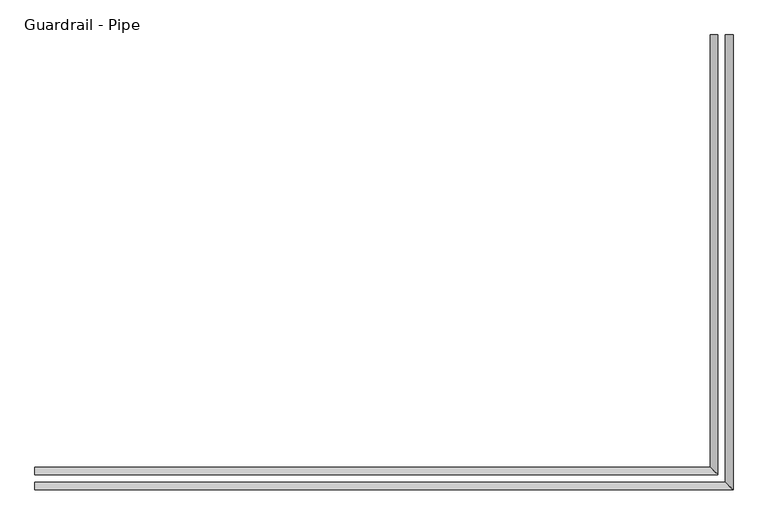
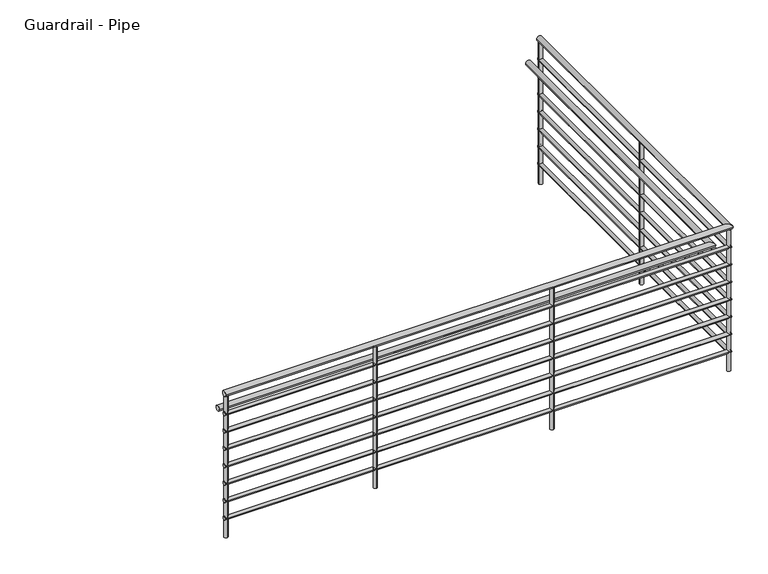
"""IFC4 building model written with IfcOpenShell, lengths in millimetres: railing geometry, Guardrail - Pipe."""

import ifcopenshell
import ifcopenshell.guid

model = None  # the IFC model being written
_history = None  # IfcOwnerHistory: only IFC2X3 demands one
_inside = {}  # id of a spatial element -> (the spatial element, [elements in it])
_under = {}  # id of a project, library or spatial element -> (it, [spatial elements below it])
_declared = {}  # id of a project -> (the project, [libraries it declares])
_typed = {}  # id of a type object -> (the type object, [elements of that type])
_made_of = {}  # id of a material, layer set ... -> (it, [elements and type objects made of it])


def new_model(schema):
    """Start an empty IFC model of exactly this schema.

    Asked for "IFC4X3", IfcOpenShell would pick the latest addendum, in which some entities
    have other attributes; the version numbers below select the first issue.
    IFC2X3 requires an IfcOwnerHistory on every rooted entity: one is made here for all.
    """
    global model, _history
    if schema == "IFC4X3":
        model = ifcopenshell.file(schema_version=(4, 3, 0, 0))
    else:
        model = ifcopenshell.file(schema=schema)
    _inside.clear()
    _under.clear()
    _declared.clear()
    _typed.clear()
    _made_of.clear()
    _history = None
    if model.schema == "IFC2X3":
        org = make("IfcOrganization", Name="unknown")
        user = make(
            "IfcPersonAndOrganization",
            ThePerson=make("IfcPerson", FamilyName="unknown"),
            TheOrganization=org,
        )
        app = make(
            "IfcApplication",
            ApplicationDeveloper=org,
            Version="unknown",
            ApplicationFullName="unknown",
            ApplicationIdentifier="unknown",
        )
        _history = make(
            "IfcOwnerHistory",
            OwningUser=user,
            OwningApplication=app,
            ChangeAction="ADDED",
            CreationDate=0,
        )
    return model


def make(cls, **values):
    """One entity of the class cls with the attributes given. An attribute that is None is left unset."""
    return model.create_entity(
        cls, **{name: value for name, value in values.items() if value is not None}
    )


def rooted(cls, **values):
    """An entity with a GlobalId (a new one), such as an element, a storey or a relation."""
    return make(cls, GlobalId=ifcopenshell.guid.new(), OwnerHistory=_history, **values)


def si_unit(unit_type, name, prefix=None):
    """IfcSIUnit, for example si_unit("LENGTHUNIT", "METRE", prefix="MILLI")."""
    return make("IfcSIUnit", UnitType=unit_type, Prefix=prefix, Name=name)


def assignment(units):
    """IfcUnitAssignment: the units of a project."""
    return None if units is None else make("IfcUnitAssignment", Units=units)


def point(xyz):
    """IfcCartesianPoint."""
    return None if xyz is None else make("IfcCartesianPoint", Coordinates=xyz)


def direction(xyz):
    """IfcDirection."""
    return None if xyz is None else make("IfcDirection", DirectionRatios=xyz)


def frame(location, z_axis=None, x_axis=None):
    """IfcAxis2Placement3D, a coordinate frame: its origin and axes. An axis left out is left unset."""
    return make(
        "IfcAxis2Placement3D",
        Location=point(location),
        Axis=direction(z_axis),
        RefDirection=direction(x_axis),
    )


def frame_2d(location, x_axis=None):
    """IfcAxis2Placement2D, a coordinate frame in the plane: its origin and x axis."""
    return make(
        "IfcAxis2Placement2D", Location=point(location), RefDirection=direction(x_axis)
    )


def origin():
    """The frame at (0, 0, 0) with its axes left unset."""
    return frame((0.0, 0.0, 0.0))


def origin_with_axes():
    """The frame at (0, 0, 0) with the z axis (0, 0, 1) and the x axis (1, 0, 0) written out."""
    return frame((0.0, 0.0, 0.0), z_axis=(0.0, 0.0, 1.0), x_axis=(1.0, 0.0, 0.0))


def place(relative_to, where):
    """IfcLocalPlacement: puts the frame where relative to a parent placement (None: the world)."""
    return make(
        "IfcLocalPlacement", PlacementRelTo=relative_to, RelativePlacement=where
    )


def context(
    kind, dimensions, precision=None, world=None, true_north=None, identifier=None
):
    """IfcGeometricRepresentationContext, for example the 3D "Model" context."""
    return make(
        "IfcGeometricRepresentationContext",
        ContextIdentifier=identifier,
        ContextType=kind,
        CoordinateSpaceDimension=dimensions,
        Precision=precision,
        WorldCoordinateSystem=world,
        TrueNorth=true_north,
    )


def project(units=None, contexts=None):
    """IfcProject with its units and contexts."""
    return rooted(
        "IfcProject",
        Name="project",
        RepresentationContexts=contexts,
        UnitsInContext=assignment(units),
    )


def spatial(cls, under=None, at=None, **own):
    """A site, building, storey or space (cls), placed at a placement, below another one or the project."""
    s = rooted(cls, ObjectPlacement=at, **own)
    if under is not None:
        _under.setdefault(under.id(), (under, []))[1].append(s)
    return s


def circle_curve(where, radius):
    """IfcCircle in the frame where."""
    return make("IfcCircle", Position=where, Radius=radius)


def ellipse_curve(where, semi_axis1, semi_axis2):
    """IfcEllipse in the frame where."""
    return make(
        "IfcEllipse", Position=where, SemiAxis1=semi_axis1, SemiAxis2=semi_axis2
    )


def trimmed(basis, trim1, trim2, sense, master):
    """IfcTrimmedCurve: the piece of a basis curve between two trims."""
    return make(
        "IfcTrimmedCurve",
        BasisCurve=basis,
        Trim1=trim1,
        Trim2=trim2,
        SenseAgreement=sense,
        MasterRepresentation=master,
    )


def segment(curve, same_sense, transition):
    """IfcCompositeCurveSegment."""
    return make(
        "IfcCompositeCurveSegment",
        Transition=transition,
        SameSense=same_sense,
        ParentCurve=curve,
    )


def composite_curve(segments, self_intersect=None):
    """IfcCompositeCurve: segments joined end to end."""
    return make("IfcCompositeCurve", Segments=segments, SelfIntersect=self_intersect)


def outline(outer, holes=None, kind="AREA"):
    """IfcArbitraryClosedProfileDef: a profile drawn as a closed curve; with holes, ...WithVoids."""
    if holes is None:
        return make("IfcArbitraryClosedProfileDef", ProfileType=kind, OuterCurve=outer)
    return make(
        "IfcArbitraryProfileDefWithVoids",
        ProfileType=kind,
        OuterCurve=outer,
        InnerCurves=holes,
    )


def extrude(swept, where, along, depth):
    """IfcExtrudedAreaSolid: the profile swept, set in the frame where, extruded along a direction by depth."""
    return make(
        "IfcExtrudedAreaSolid",
        SweptArea=swept,
        Position=where,
        ExtrudedDirection=direction(along),
        Depth=depth,
    )


def shape(context_of_items, identifier, shape_type, items):
    """IfcShapeRepresentation: the items that make up one representation, for example the "Body"."""
    return make(
        "IfcShapeRepresentation",
        ContextOfItems=context_of_items,
        RepresentationIdentifier=identifier,
        RepresentationType=shape_type,
        Items=items,
    )


def source(mapping_origin, context_of_items, identifier, shape_type, items):
    """IfcRepresentationMap: a shape defined once, which mapped items show again and again."""
    return make(
        "IfcRepresentationMap",
        MappingOrigin=mapping_origin,
        MappedRepresentation=shape(context_of_items, identifier, shape_type, items),
    )


def transform(
    local_origin,
    x_axis=None,
    y_axis=None,
    z_axis=None,
    scale=None,
    scale2=None,
    scale3=None,
    uniform=True,
):
    """IfcCartesianTransformationOperator3D, or its non-uniform kind. x_axis, y_axis, z_axis: its Axis1, 2, 3."""
    if uniform:
        return make(
            "IfcCartesianTransformationOperator3D",
            Axis1=direction(x_axis),
            Axis2=direction(y_axis),
            LocalOrigin=point(local_origin),
            Scale=scale,
            Axis3=direction(z_axis),
        )
    return make(
        "IfcCartesianTransformationOperator3DnonUniform",
        Axis1=direction(x_axis),
        Axis2=direction(y_axis),
        LocalOrigin=point(local_origin),
        Scale=scale,
        Axis3=direction(z_axis),
        Scale2=scale2,
        Scale3=scale3,
    )


def mapped(mapping_source, mapping_target):
    """IfcMappedItem: shows the shape of a source again, moved by a transform."""
    return make(
        "IfcMappedItem", MappingSource=mapping_source, MappingTarget=mapping_target
    )


def made_of(thing, what):
    """Note that an element or type object is made of a material, layer set ...; save() writes the relation."""
    if what is not None:
        _made_of.setdefault(what.id(), (what, []))[1].append(thing)
    return thing


def element(
    cls,
    number,
    at=None,
    inside=None,
    cuts=None,
    type_object=None,
    material=None,
    context=None,
    identifier="Body",
    shape_type=None,
    held_by="IfcProductDefinitionShape",
    body=None,
    shapes=None,
    **own,
):
    """One element of the class cls, such as IfcWall. Its Tag is "e" and its number.

    at: its placement. inside: the storey or other place that contains it. cuts: it is an
    opening in that element (IfcRelVoidsElement). A single representation is given by context,
    identifier, shape_type and body (its items); several are given by shapes. held_by: the class
    of the entity that holds the representations. save() writes the other relations.
    """
    e = rooted(cls, Tag="e%d" % number, ObjectPlacement=at, **own)
    if body is not None:
        shapes = [shape(context, identifier, shape_type, body)]
    if shapes is not None:
        e.Representation = make(held_by, Representations=shapes)
    if inside is not None:
        _inside.setdefault(inside.id(), (inside, []))[1].append(e)
    if cuts is not None:
        rooted(
            "IfcRelVoidsElement", RelatingBuildingElement=cuts, RelatedOpeningElement=e
        )
    if type_object is not None:
        _typed.setdefault(type_object.id(), (type_object, []))[1].append(e)
    return made_of(e, material)


def aggregate(whole, parts):
    """IfcRelAggregates: a whole, such as a stair, and the parts it consists of."""
    return rooted("IfcRelAggregates", RelatingObject=whole, RelatedObjects=parts)


def save(model, path):
    """Write the relations noted so far, then the file.

    IfcRelAggregates (storeys below a building ...), IfcRelContainedInSpatialStructure (elements
    in a storey), IfcRelDefinesByType, IfcRelAssociatesMaterial and IfcRelDeclares: one each for
    every whole, place, type object, material and project.
    """
    for whole, parts in _under.values():
        aggregate(whole, parts)
    for where, things in _inside.values():
        rooted(
            "IfcRelContainedInSpatialStructure",
            RelatedElements=things,
            RelatingStructure=where,
        )
    for kind, things in _typed.values():
        rooted("IfcRelDefinesByType", RelatedObjects=things, RelatingType=kind)
    for what, things in _made_of.values():
        rooted("IfcRelAssociatesMaterial", RelatedObjects=things, RelatingMaterial=what)
    for by, libraries in _declared.values():
        rooted("IfcRelDeclares", RelatingContext=by, RelatedDefinitions=libraries)
    model.write(path)


def plane_surface(at):
    """IfcPlane: the flat surface through the origin of the frame at, square to its z axis."""
    return make("IfcPlane", Position=at)


def cylinder_surface(at, radius):
    """IfcCylindricalSurface: all points at the distance radius from the z axis of the frame at."""
    return make("IfcCylindricalSurface", Position=at, Radius=radius)


def advanced_brep(points, edges, surfaces, faces):
    """IfcAdvancedBrep: a solid bounded by faces that lie on surfaces and meet in shared edges.

    An edge is (start, end): straight between two places in points (the first is 0);
    or (start, end, curve); or (start, end, curve, False) where it runs against its curve.
    A face is (place in surfaces, loops), or (place, loops, False) where it looks against
    its surface's normal. A loop lists edges by number (the first is 1), with a minus sign
    where the edge is run from its end to its start. The first loop is the outer one.
    """
    corners = [point(p) for p in points]
    vertices = [make("IfcVertexPoint", VertexGeometry=c) for c in corners]
    made = []
    for start, end, *more in edges:
        made.append(
            make(
                "IfcEdgeCurve",
                EdgeStart=vertices[start],
                EdgeEnd=vertices[end],
                EdgeGeometry=more[0] if more else make("IfcPolyline", Points=[corners[start], corners[end]]),
                SameSense=more[1] if len(more) > 1 else True,
            )
        )
    hull = []
    for where, loops, *sense in faces:
        bounds = []
        for j, loop in enumerate(loops):
            ring = [make("IfcOrientedEdge", EdgeElement=made[abs(k) - 1], Orientation=k > 0) for k in loop]
            bounds.append(
                make(
                    "IfcFaceOuterBound" if j == 0 else "IfcFaceBound",
                    Bound=make("IfcEdgeLoop", EdgeList=ring),
                    Orientation=True,
                )
            )
        hull.append(make("IfcAdvancedFace", Bounds=bounds, FaceSurface=surfaces[where], SameSense=sense[0] if sense else True))
    return make("IfcAdvancedBrep", Outer=make("IfcClosedShell", CfsFaces=hull))


def guardrail_pipe_ba8d41b1(model_context):
    return source(origin(), model_context, "Body", "SolidModel", [
        advanced_brep(
        [(31945.0942644, -10902.4746663, 1047.75), (31983.1942644, -10902.4746663, 1047.75), (31983.1942644, -13182.1246663, 1047.75), (31945.0942644, -13144.0246663, 1047.75), (28484.3442644, -13144.0246663, 1047.75), (28484.3442644, -13182.1246663, 1047.75)],
        [
            (0, 1, circle_curve(frame((31964.1442644, -10902.4746663, 1047.75), z_axis=(0.0, 1.0, 0.0), x_axis=(1.0, 0.0, 0.0)), 19.05)),
            (1, 0, circle_curve(frame((31964.1442644, -10902.4746663, 1047.75), z_axis=(0.0, 1.0, 0.0), x_axis=(1.0, 0.0, 0.0)), 19.05)),
            (1, 2),
            (2, 3, ellipse_curve(frame((31964.1442644, -13163.0746663, 1047.75), z_axis=(0.7071067811865475, 0.7071067811865475, 0.0), x_axis=(-0.7071067811865474, 0.7071067811865476, 0.0)), 26.9407684, 19.05)),
            (3, 0),
            (3, 2, ellipse_curve(frame((31964.1442644, -13163.0746663, 1047.75), z_axis=(0.7071067811865475, 0.7071067811865475, 0.0), x_axis=(-0.7071067811865474, 0.7071067811865476, 0.0)), 26.9407684, 19.05)),
            (4, 5, circle_curve(frame((28484.3442644, -13163.0746663, 1047.75), z_axis=(-1.0, 0.0, 0.0), x_axis=(0.0, -1.0, 0.0)), 19.05)),
            (5, 4, circle_curve(frame((28484.3442644, -13163.0746663, 1047.75), z_axis=(-1.0, 0.0, 0.0), x_axis=(0.0, -1.0, 0.0)), 19.05)),
            (2, 5),
            (4, 3),
        ],
        [
            plane_surface(frame((31964.1442644, -10902.4746663, 1066.8), z_axis=(0.0, 1.0, 0.0), x_axis=(0.0, 0.0, -1.0))),
            cylinder_surface(frame((31964.1442644, -10902.4746663, 1047.75), z_axis=(0.0, 1.0, 0.0), x_axis=(1.0, 0.0, 0.0)), 19.05),
            plane_surface(frame((28484.3442644, -13163.0746663, 1066.8), z_axis=(-1.0, 0.0, 0.0), x_axis=(0.0, -1.0, 0.0))),
            cylinder_surface(frame((31964.1442644, -13163.0746663, 1047.75), z_axis=(1.0, 0.0, 0.0), x_axis=(0.0, -1.0, 0.0)), 19.05),
        ],
        [
            (0, [[1, 2]]),
            (1, [[-2, 3, 4, 5]]),
            (1, [[-1, -5, 6, -3]]),
            (2, [[7, 8]]),
            (3, [[-4, 9, -7, 10]]),
            (3, [[-6, -10, -8, -9]]),
        ],
    ),
        advanced_brep(
        [(31951.4442644, -10902.4746663, 901.7), (31976.8442644, -10902.4746663, 901.7), (31976.8442644, -13175.7746663, 901.7), (31951.4442644, -13150.3746663, 901.7), (28484.3442644, -13150.3746663, 901.7), (28484.3442644, -13175.7746663, 901.7)],
        [
            (0, 1, circle_curve(frame((31964.1442644, -10902.4746663, 901.7), z_axis=(0.0, 1.0, 0.0), x_axis=(1.0, 0.0, 0.0)), 12.7)),
            (1, 0, circle_curve(frame((31964.1442644, -10902.4746663, 901.7), z_axis=(0.0, 1.0, 0.0), x_axis=(1.0, 0.0, 0.0)), 12.7)),
            (1, 2),
            (2, 3, ellipse_curve(frame((31964.1442644, -13163.0746663, 901.7), z_axis=(0.7071067811865475, 0.7071067811865475, 0.0), x_axis=(-0.7071067811865474, 0.7071067811865476, 0.0)), 17.9605122, 12.7)),
            (3, 0),
            (3, 2, ellipse_curve(frame((31964.1442644, -13163.0746663, 901.7), z_axis=(0.7071067811865475, 0.7071067811865475, 0.0), x_axis=(-0.7071067811865474, 0.7071067811865476, 0.0)), 17.9605122, 12.7)),
            (4, 5, circle_curve(frame((28484.3442644, -13163.0746663, 901.7), z_axis=(-1.0, 0.0, 0.0), x_axis=(0.0, -1.0, 0.0)), 12.7)),
            (5, 4, circle_curve(frame((28484.3442644, -13163.0746663, 901.7), z_axis=(-1.0, 0.0, 0.0), x_axis=(0.0, -1.0, 0.0)), 12.7)),
            (2, 5),
            (4, 3),
        ],
        [
            plane_surface(frame((31964.1442644, -10902.4746663, 914.4), z_axis=(0.0, 1.0, 0.0), x_axis=(0.0, 0.0, -1.0))),
            cylinder_surface(frame((31964.1442644, -10902.4746663, 901.7), z_axis=(0.0, 1.0, 0.0), x_axis=(1.0, 0.0, 0.0)), 12.7),
            plane_surface(frame((28484.3442644, -13163.0746663, 914.4), z_axis=(-1.0, 0.0, 0.0), x_axis=(0.0, -1.0, 0.0))),
            cylinder_surface(frame((31964.1442644, -13163.0746663, 901.7), z_axis=(1.0, 0.0, 0.0), x_axis=(0.0, -1.0, 0.0)), 12.7),
        ],
        [
            (0, [[1, 2]]),
            (1, [[-2, 3, 4, 5]]),
            (1, [[-1, -5, 6, -3]]),
            (2, [[7, 8]]),
            (3, [[-4, 9, -7, 10]]),
            (3, [[-6, -10, -8, -9]]),
        ],
    ),
        advanced_brep(
        [(31868.8942644, -10902.4746663, 895.35), (31906.9942644, -10902.4746663, 895.35), (31906.9942644, -13105.9246663, 895.35), (31868.8942644, -13067.8246663, 895.35), (28484.3442644, -13067.8246663, 895.35), (28484.3442644, -13105.9246663, 895.35)],
        [
            (0, 1, circle_curve(frame((31887.9442644, -10902.4746663, 895.35), z_axis=(0.0, 1.0, 0.0), x_axis=(1.0, 0.0, 0.0)), 19.05)),
            (1, 0, circle_curve(frame((31887.9442644, -10902.4746663, 895.35), z_axis=(0.0, 1.0, 0.0), x_axis=(1.0, 0.0, 0.0)), 19.05)),
            (1, 2),
            (2, 3, ellipse_curve(frame((31887.9442644, -13086.8746663, 895.35), z_axis=(0.7071067811865475, 0.7071067811865475, 0.0), x_axis=(-0.7071067811865474, 0.7071067811865476, 0.0)), 26.9407684, 19.05)),
            (3, 0),
            (3, 2, ellipse_curve(frame((31887.9442644, -13086.8746663, 895.35), z_axis=(0.7071067811865475, 0.7071067811865475, 0.0), x_axis=(-0.7071067811865474, 0.7071067811865476, 0.0)), 26.9407684, 19.05)),
            (4, 5, circle_curve(frame((28484.3442644, -13086.8746663, 895.35), z_axis=(-1.0, 0.0, 0.0), x_axis=(0.0, -1.0, 0.0)), 19.05)),
            (5, 4, circle_curve(frame((28484.3442644, -13086.8746663, 895.35), z_axis=(-1.0, 0.0, 0.0), x_axis=(0.0, -1.0, 0.0)), 19.05)),
            (2, 5),
            (4, 3),
        ],
        [
            plane_surface(frame((31887.9442644, -10902.4746663, 914.4), z_axis=(0.0, 1.0, 0.0), x_axis=(0.0, 0.0, -1.0))),
            cylinder_surface(frame((31887.9442644, -10902.4746663, 895.35), z_axis=(0.0, 1.0, 0.0), x_axis=(1.0, 0.0, 0.0)), 19.05),
            plane_surface(frame((28484.3442644, -13086.8746663, 914.4), z_axis=(-1.0, 0.0, 0.0), x_axis=(0.0, -1.0, 0.0))),
            cylinder_surface(frame((31887.9442644, -13086.8746663, 895.35), z_axis=(1.0, 0.0, 0.0), x_axis=(0.0, -1.0, 0.0)), 19.05),
        ],
        [
            (0, [[1, 2]]),
            (1, [[-2, 3, 4, 5]]),
            (1, [[-1, -5, 6, -3]]),
            (2, [[7, 8]]),
            (3, [[-4, 9, -7, 10]]),
            (3, [[-6, -10, -8, -9]]),
        ],
    ),
        advanced_brep(
        [(31951.4442644, -10902.4746663, 774.7), (31976.8442644, -10902.4746663, 774.7), (31976.8442644, -13175.7746663, 774.7), (31951.4442644, -13150.3746663, 774.7), (28484.3442644, -13150.3746663, 774.7), (28484.3442644, -13175.7746663, 774.7)],
        [
            (0, 1, circle_curve(frame((31964.1442644, -10902.4746663, 774.7), z_axis=(0.0, 1.0, 0.0), x_axis=(1.0, 0.0, 0.0)), 12.7)),
            (1, 0, circle_curve(frame((31964.1442644, -10902.4746663, 774.7), z_axis=(0.0, 1.0, 0.0), x_axis=(1.0, 0.0, 0.0)), 12.7)),
            (1, 2),
            (2, 3, ellipse_curve(frame((31964.1442644, -13163.0746663, 774.7), z_axis=(0.7071067811865475, 0.7071067811865475, 0.0), x_axis=(-0.7071067811865474, 0.7071067811865476, 0.0)), 17.9605122, 12.7)),
            (3, 0),
            (3, 2, ellipse_curve(frame((31964.1442644, -13163.0746663, 774.7), z_axis=(0.7071067811865475, 0.7071067811865475, 0.0), x_axis=(-0.7071067811865474, 0.7071067811865476, 0.0)), 17.9605122, 12.7)),
            (4, 5, circle_curve(frame((28484.3442644, -13163.0746663, 774.7), z_axis=(-1.0, 0.0, 0.0), x_axis=(0.0, -1.0, 0.0)), 12.7)),
            (5, 4, circle_curve(frame((28484.3442644, -13163.0746663, 774.7), z_axis=(-1.0, 0.0, 0.0), x_axis=(0.0, -1.0, 0.0)), 12.7)),
            (2, 5),
            (4, 3),
        ],
        [
            plane_surface(frame((31964.1442644, -10902.4746663, 787.4), z_axis=(0.0, 1.0, 0.0), x_axis=(0.0, 0.0, -1.0))),
            cylinder_surface(frame((31964.1442644, -10902.4746663, 774.7), z_axis=(0.0, 1.0, 0.0), x_axis=(1.0, 0.0, 0.0)), 12.7),
            plane_surface(frame((28484.3442644, -13163.0746663, 787.4), z_axis=(-1.0, 0.0, 0.0), x_axis=(0.0, -1.0, 0.0))),
            cylinder_surface(frame((31964.1442644, -13163.0746663, 774.7), z_axis=(1.0, 0.0, 0.0), x_axis=(0.0, -1.0, 0.0)), 12.7),
        ],
        [
            (0, [[1, 2]]),
            (1, [[-2, 3, 4, 5]]),
            (1, [[-1, -5, 6, -3]]),
            (2, [[7, 8]]),
            (3, [[-4, 9, -7, 10]]),
            (3, [[-6, -10, -8, -9]]),
        ],
    ),
        advanced_brep(
        [(31951.4442644, -10902.4746663, 647.7), (31976.8442644, -10902.4746663, 647.7), (31976.8442644, -13175.7746663, 647.7), (31951.4442644, -13150.3746663, 647.7), (28484.3442644, -13150.3746663, 647.7), (28484.3442644, -13175.7746663, 647.7)],
        [
            (0, 1, circle_curve(frame((31964.1442644, -10902.4746663, 647.7), z_axis=(0.0, 1.0, 0.0), x_axis=(1.0, 0.0, 0.0)), 12.7)),
            (1, 0, circle_curve(frame((31964.1442644, -10902.4746663, 647.7), z_axis=(0.0, 1.0, 0.0), x_axis=(1.0, 0.0, 0.0)), 12.7)),
            (1, 2),
            (2, 3, ellipse_curve(frame((31964.1442644, -13163.0746663, 647.7), z_axis=(0.7071067811865475, 0.7071067811865475, 0.0), x_axis=(-0.7071067811865474, 0.7071067811865476, 0.0)), 17.9605122, 12.7)),
            (3, 0),
            (3, 2, ellipse_curve(frame((31964.1442644, -13163.0746663, 647.7), z_axis=(0.7071067811865475, 0.7071067811865475, 0.0), x_axis=(-0.7071067811865474, 0.7071067811865476, 0.0)), 17.9605122, 12.7)),
            (4, 5, circle_curve(frame((28484.3442644, -13163.0746663, 647.7), z_axis=(-1.0, 0.0, 0.0), x_axis=(0.0, -1.0, 0.0)), 12.7)),
            (5, 4, circle_curve(frame((28484.3442644, -13163.0746663, 647.7), z_axis=(-1.0, 0.0, 0.0), x_axis=(0.0, -1.0, 0.0)), 12.7)),
            (2, 5),
            (4, 3),
        ],
        [
            plane_surface(frame((31964.1442644, -10902.4746663, 660.4), z_axis=(0.0, 1.0, 0.0), x_axis=(0.0, 0.0, -1.0))),
            cylinder_surface(frame((31964.1442644, -10902.4746663, 647.7), z_axis=(0.0, 1.0, 0.0), x_axis=(1.0, 0.0, 0.0)), 12.7),
            plane_surface(frame((28484.3442644, -13163.0746663, 660.4), z_axis=(-1.0, 0.0, 0.0), x_axis=(0.0, -1.0, 0.0))),
            cylinder_surface(frame((31964.1442644, -13163.0746663, 647.7), z_axis=(1.0, 0.0, 0.0), x_axis=(0.0, -1.0, 0.0)), 12.7),
        ],
        [
            (0, [[1, 2]]),
            (1, [[-2, 3, 4, 5]]),
            (1, [[-1, -5, 6, -3]]),
            (2, [[7, 8]]),
            (3, [[-4, 9, -7, 10]]),
            (3, [[-6, -10, -8, -9]]),
        ],
    ),
        advanced_brep(
        [(31951.4442644, -10902.4746663, 520.7), (31976.8442644, -10902.4746663, 520.7), (31976.8442644, -13175.7746663, 520.7), (31951.4442644, -13150.3746663, 520.7), (28484.3442644, -13150.3746663, 520.7), (28484.3442644, -13175.7746663, 520.7)],
        [
            (0, 1, circle_curve(frame((31964.1442644, -10902.4746663, 520.7), z_axis=(0.0, 1.0, 0.0), x_axis=(1.0, 0.0, 0.0)), 12.7)),
            (1, 0, circle_curve(frame((31964.1442644, -10902.4746663, 520.7), z_axis=(0.0, 1.0, 0.0), x_axis=(1.0, 0.0, 0.0)), 12.7)),
            (1, 2),
            (2, 3, ellipse_curve(frame((31964.1442644, -13163.0746663, 520.7), z_axis=(0.7071067811865475, 0.7071067811865475, 0.0), x_axis=(-0.7071067811865474, 0.7071067811865476, 0.0)), 17.9605122, 12.7)),
            (3, 0),
            (3, 2, ellipse_curve(frame((31964.1442644, -13163.0746663, 520.7), z_axis=(0.7071067811865475, 0.7071067811865475, 0.0), x_axis=(-0.7071067811865474, 0.7071067811865476, 0.0)), 17.9605122, 12.7)),
            (4, 5, circle_curve(frame((28484.3442644, -13163.0746663, 520.7), z_axis=(-1.0, 0.0, 0.0), x_axis=(0.0, -1.0, 0.0)), 12.7)),
            (5, 4, circle_curve(frame((28484.3442644, -13163.0746663, 520.7), z_axis=(-1.0, 0.0, 0.0), x_axis=(0.0, -1.0, 0.0)), 12.7)),
            (2, 5),
            (4, 3),
        ],
        [
            plane_surface(frame((31964.1442644, -10902.4746663, 533.4), z_axis=(0.0, 1.0, 0.0), x_axis=(0.0, 0.0, -1.0))),
            cylinder_surface(frame((31964.1442644, -10902.4746663, 520.7), z_axis=(0.0, 1.0, 0.0), x_axis=(1.0, 0.0, 0.0)), 12.7),
            plane_surface(frame((28484.3442644, -13163.0746663, 533.4), z_axis=(-1.0, 0.0, 0.0), x_axis=(0.0, -1.0, 0.0))),
            cylinder_surface(frame((31964.1442644, -13163.0746663, 520.7), z_axis=(1.0, 0.0, 0.0), x_axis=(0.0, -1.0, 0.0)), 12.7),
        ],
        [
            (0, [[1, 2]]),
            (1, [[-2, 3, 4, 5]]),
            (1, [[-1, -5, 6, -3]]),
            (2, [[7, 8]]),
            (3, [[-4, 9, -7, 10]]),
            (3, [[-6, -10, -8, -9]]),
        ],
    ),
        advanced_brep(
        [(31951.4442644, -10902.4746663, 393.7), (31976.8442644, -10902.4746663, 393.7), (31976.8442644, -13175.7746663, 393.7), (31951.4442644, -13150.3746663, 393.7), (28484.3442644, -13150.3746663, 393.7), (28484.3442644, -13175.7746663, 393.7)],
        [
            (0, 1, circle_curve(frame((31964.1442644, -10902.4746663, 393.7), z_axis=(0.0, 1.0, 0.0), x_axis=(1.0, 0.0, 0.0)), 12.7)),
            (1, 0, circle_curve(frame((31964.1442644, -10902.4746663, 393.7), z_axis=(0.0, 1.0, 0.0), x_axis=(1.0, 0.0, 0.0)), 12.7)),
            (1, 2),
            (2, 3, ellipse_curve(frame((31964.1442644, -13163.0746663, 393.7), z_axis=(0.7071067811865475, 0.7071067811865475, 0.0), x_axis=(-0.7071067811865474, 0.7071067811865476, 0.0)), 17.9605122, 12.7)),
            (3, 0),
            (3, 2, ellipse_curve(frame((31964.1442644, -13163.0746663, 393.7), z_axis=(0.7071067811865475, 0.7071067811865475, 0.0), x_axis=(-0.7071067811865474, 0.7071067811865476, 0.0)), 17.9605122, 12.7)),
            (4, 5, circle_curve(frame((28484.3442644, -13163.0746663, 393.7), z_axis=(-1.0, 0.0, 0.0), x_axis=(0.0, -1.0, 0.0)), 12.7)),
            (5, 4, circle_curve(frame((28484.3442644, -13163.0746663, 393.7), z_axis=(-1.0, 0.0, 0.0), x_axis=(0.0, -1.0, 0.0)), 12.7)),
            (2, 5),
            (4, 3),
        ],
        [
            plane_surface(frame((31964.1442644, -10902.4746663, 406.4), z_axis=(0.0, 1.0, 0.0), x_axis=(0.0, 0.0, -1.0))),
            cylinder_surface(frame((31964.1442644, -10902.4746663, 393.7), z_axis=(0.0, 1.0, 0.0), x_axis=(1.0, 0.0, 0.0)), 12.7),
            plane_surface(frame((28484.3442644, -13163.0746663, 406.4), z_axis=(-1.0, 0.0, 0.0), x_axis=(0.0, -1.0, 0.0))),
            cylinder_surface(frame((31964.1442644, -13163.0746663, 393.7), z_axis=(1.0, 0.0, 0.0), x_axis=(0.0, -1.0, 0.0)), 12.7),
        ],
        [
            (0, [[1, 2]]),
            (1, [[-2, 3, 4, 5]]),
            (1, [[-1, -5, 6, -3]]),
            (2, [[7, 8]]),
            (3, [[-4, 9, -7, 10]]),
            (3, [[-6, -10, -8, -9]]),
        ],
    ),
        advanced_brep(
        [(31951.4442644, -10902.4746663, 266.7), (31976.8442644, -10902.4746663, 266.7), (31976.8442644, -13175.7746663, 266.7), (31951.4442644, -13150.3746663, 266.7), (28484.3442644, -13150.3746663, 266.7), (28484.3442644, -13175.7746663, 266.7)],
        [
            (0, 1, circle_curve(frame((31964.1442644, -10902.4746663, 266.7), z_axis=(0.0, 1.0, 0.0), x_axis=(1.0, 0.0, 0.0)), 12.7)),
            (1, 0, circle_curve(frame((31964.1442644, -10902.4746663, 266.7), z_axis=(0.0, 1.0, 0.0), x_axis=(1.0, 0.0, 0.0)), 12.7)),
            (1, 2),
            (2, 3, ellipse_curve(frame((31964.1442644, -13163.0746663, 266.7), z_axis=(0.7071067811865475, 0.7071067811865475, 0.0), x_axis=(-0.7071067811865474, 0.7071067811865476, 0.0)), 17.9605122, 12.7)),
            (3, 0),
            (3, 2, ellipse_curve(frame((31964.1442644, -13163.0746663, 266.7), z_axis=(0.7071067811865475, 0.7071067811865475, 0.0), x_axis=(-0.7071067811865474, 0.7071067811865476, 0.0)), 17.9605122, 12.7)),
            (4, 5, circle_curve(frame((28484.3442644, -13163.0746663, 266.7), z_axis=(-1.0, 0.0, 0.0), x_axis=(0.0, -1.0, 0.0)), 12.7)),
            (5, 4, circle_curve(frame((28484.3442644, -13163.0746663, 266.7), z_axis=(-1.0, 0.0, 0.0), x_axis=(0.0, -1.0, 0.0)), 12.7)),
            (2, 5),
            (4, 3),
        ],
        [
            plane_surface(frame((31964.1442644, -10902.4746663, 279.4), z_axis=(0.0, 1.0, 0.0), x_axis=(0.0, 0.0, -1.0))),
            cylinder_surface(frame((31964.1442644, -10902.4746663, 266.7), z_axis=(0.0, 1.0, 0.0), x_axis=(1.0, 0.0, 0.0)), 12.7),
            plane_surface(frame((28484.3442644, -13163.0746663, 279.4), z_axis=(-1.0, 0.0, 0.0), x_axis=(0.0, -1.0, 0.0))),
            cylinder_surface(frame((31964.1442644, -13163.0746663, 266.7), z_axis=(1.0, 0.0, 0.0), x_axis=(0.0, -1.0, 0.0)), 12.7),
        ],
        [
            (0, [[1, 2]]),
            (1, [[-2, 3, 4, 5]]),
            (1, [[-1, -5, 6, -3]]),
            (2, [[7, 8]]),
            (3, [[-4, 9, -7, 10]]),
            (3, [[-6, -10, -8, -9]]),
        ],
    ),
        advanced_brep(
        [(31951.4442644, -10902.4746663, 139.7), (31976.8442644, -10902.4746663, 139.7), (31976.8442644, -13175.7746663, 139.7), (31951.4442644, -13150.3746663, 139.7), (28484.3442644, -13150.3746663, 139.7), (28484.3442644, -13175.7746663, 139.7)],
        [
            (0, 1, circle_curve(frame((31964.1442644, -10902.4746663, 139.7), z_axis=(0.0, 1.0, 0.0), x_axis=(1.0, 0.0, 0.0)), 12.7)),
            (1, 0, circle_curve(frame((31964.1442644, -10902.4746663, 139.7), z_axis=(0.0, 1.0, 0.0), x_axis=(1.0, 0.0, 0.0)), 12.7)),
            (1, 2),
            (2, 3, ellipse_curve(frame((31964.1442644, -13163.0746663, 139.7), z_axis=(0.7071067811865475, 0.7071067811865475, 0.0), x_axis=(-0.7071067811865474, 0.7071067811865476, 0.0)), 17.9605122, 12.7)),
            (3, 0),
            (3, 2, ellipse_curve(frame((31964.1442644, -13163.0746663, 139.7), z_axis=(0.7071067811865475, 0.7071067811865475, 0.0), x_axis=(-0.7071067811865474, 0.7071067811865476, 0.0)), 17.9605122, 12.7)),
            (4, 5, circle_curve(frame((28484.3442644, -13163.0746663, 139.7), z_axis=(-1.0, 0.0, 0.0), x_axis=(0.0, -1.0, 0.0)), 12.7)),
            (5, 4, circle_curve(frame((28484.3442644, -13163.0746663, 139.7), z_axis=(-1.0, 0.0, 0.0), x_axis=(0.0, -1.0, 0.0)), 12.7)),
            (2, 5),
            (4, 3),
        ],
        [
            plane_surface(frame((31964.1442644, -10902.4746663, 152.4), z_axis=(0.0, 1.0, 0.0), x_axis=(0.0, 0.0, -1.0))),
            cylinder_surface(frame((31964.1442644, -10902.4746663, 139.7), z_axis=(0.0, 1.0, 0.0), x_axis=(1.0, 0.0, 0.0)), 12.7),
            plane_surface(frame((28484.3442644, -13163.0746663, 152.4), z_axis=(-1.0, 0.0, 0.0), x_axis=(0.0, -1.0, 0.0))),
            cylinder_surface(frame((31964.1442644, -13163.0746663, 139.7), z_axis=(1.0, 0.0, 0.0), x_axis=(0.0, -1.0, 0.0)), 12.7),
        ],
        [
            (0, [[1, 2]]),
            (1, [[-2, 3, 4, 5]]),
            (1, [[-1, -5, 6, -3]]),
            (2, [[7, 8]]),
            (3, [[-4, 9, -7, 10]]),
            (3, [[-6, -10, -8, -9]]),
        ],
    ),
        extrude(outline(composite_curve([segment(trimmed(circle_curve(frame_2d((29525.7442644, -13163.0746663)), 12.7), [point((29525.7442644, -13150.3746663))], [point((29525.7442644, -13175.7746663))], False, "CARTESIAN"), True, "CONTINUOUS"), segment(trimmed(circle_curve(frame_2d((29525.7442644, -13163.0746663)), 12.7), [point((29525.7442644, -13175.7746663))], [point((29525.7442644, -13150.3746663))], False, "CARTESIAN"), True, "CONTINUOUS")], self_intersect=False)), origin_with_axes(), (0.0, 0.0, 1.0), 1028.7),
        extrude(outline(composite_curve([segment(trimmed(circle_curve(frame_2d((30744.9442644, -13163.0746663)), 12.7), [point((30744.9442644, -13150.3746663))], [point((30744.9442644, -13175.7746663))], False, "CARTESIAN"), True, "CONTINUOUS"), segment(trimmed(circle_curve(frame_2d((30744.9442644, -13163.0746663)), 12.7), [point((30744.9442644, -13175.7746663))], [point((30744.9442644, -13150.3746663))], False, "CARTESIAN"), True, "CONTINUOUS")], self_intersect=False)), origin_with_axes(), (0.0, 0.0, 1.0), 1028.7),
        extrude(outline(composite_curve([segment(trimmed(circle_curve(frame_2d((31964.1442644, -12121.6746663)), 12.7), [point((31951.4442644, -12121.6746663))], [point((31976.8442644, -12121.6746663))], False, "CARTESIAN"), True, "CONTINUOUS"), segment(trimmed(circle_curve(frame_2d((31964.1442644, -12121.6746663)), 12.7), [point((31976.8442644, -12121.6746663))], [point((31951.4442644, -12121.6746663))], False, "CARTESIAN"), True, "CONTINUOUS")], self_intersect=False)), origin_with_axes(), (0.0, 0.0, 1.0), 1028.7),
        extrude(outline(composite_curve([segment(trimmed(circle_curve(frame_2d((31964.1442644, -13163.0746663)), 12.7), [point((31951.4442644, -13163.0746663))], [point((31976.8442644, -13163.0746663))], False, "CARTESIAN"), True, "CONTINUOUS"), segment(trimmed(circle_curve(frame_2d((31964.1442644, -13163.0746663)), 12.7), [point((31976.8442644, -13163.0746663))], [point((31951.4442644, -13163.0746663))], False, "CARTESIAN"), True, "CONTINUOUS")], self_intersect=False)), origin_with_axes(), (0.0, 0.0, 1.0), 1028.7),
        extrude(outline(composite_curve([segment(trimmed(circle_curve(frame_2d((28497.0442644, -13163.0746663)), 12.7), [point((28497.0442644, -13150.3746663))], [point((28497.0442644, -13175.7746663))], False, "CARTESIAN"), True, "CONTINUOUS"), segment(trimmed(circle_curve(frame_2d((28497.0442644, -13163.0746663)), 12.7), [point((28497.0442644, -13175.7746663))], [point((28497.0442644, -13150.3746663))], False, "CARTESIAN"), True, "CONTINUOUS")], self_intersect=False)), origin_with_axes(), (0.0, 0.0, 1.0), 1028.7),
        extrude(outline(composite_curve([segment(trimmed(circle_curve(frame_2d((31964.1442644, -10915.1746663)), 12.7), [point((31951.4442644, -10915.1746663))], [point((31976.8442644, -10915.1746663))], False, "CARTESIAN"), True, "CONTINUOUS"), segment(trimmed(circle_curve(frame_2d((31964.1442644, -10915.1746663)), 12.7), [point((31976.8442644, -10915.1746663))], [point((31951.4442644, -10915.1746663))], False, "CARTESIAN"), True, "CONTINUOUS")], self_intersect=False)), origin_with_axes(), (0.0, 0.0, 1.0), 1028.7),
    ])


if __name__ == "__main__":
    model = new_model("IFC4")
    model_context = context("Model", 3, world=origin())
    ifc_project = project(units=[si_unit("LENGTHUNIT", "METRE", prefix="MILLI")], contexts=[model_context])
    site = spatial("IfcSite", under=ifc_project)
    building = spatial("IfcBuilding", under=site)
    placement = place(None, origin())
    guardrail_pipe_shape = guardrail_pipe_ba8d41b1(model_context)
    element("IfcRailing", 1, ObjectType="Guardrail - Pipe", at=placement, inside=building, context=model_context, shape_type="MappedRepresentation", body=[
        mapped(guardrail_pipe_shape, transform((0.0, 0.0, 0.0), x_axis=(1.0, 0.0, 0.0), y_axis=(0.0, 1.0, 0.0), z_axis=(0.0, 0.0, 1.0))),
    ])
    save(model, "model.ifc")
